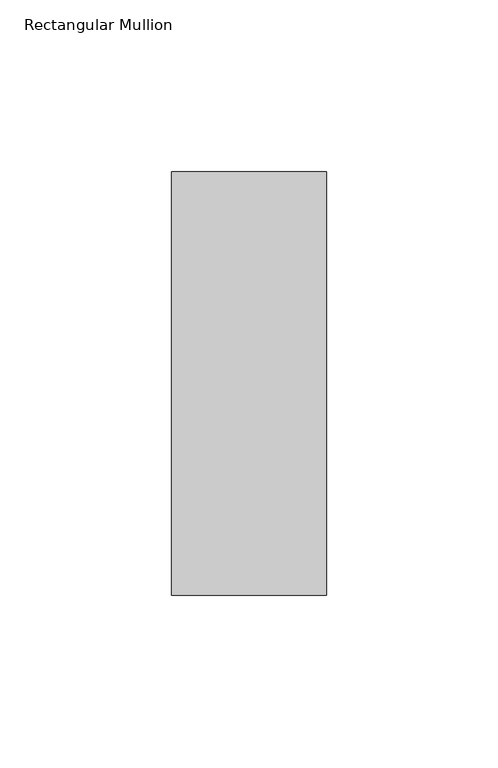
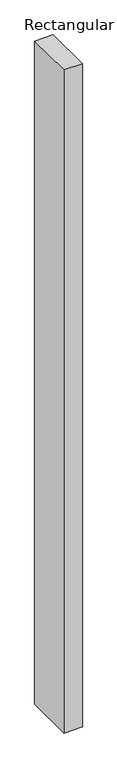
"""IFC4 building model written with IfcOpenShell, lengths in millimetres: member geometry, Rectangular Mullion."""

from ifc_helpers import new_model, si_unit, frame, origin, place, context, project, spatial, polyline, outline, extrude, source, transform, mapped, element, save


def rectangular_mullion_378c99e4(model_context):
    return source(origin(), model_context, "Body", "SweptSolid", [
        extrude(outline(polyline([(22.5, 77.05), (22.5, -46.05), (-22.5, -46.05), (-22.5, 77.05), (22.5, 77.05)])), frame((0.0, 0.0, -1708.8912252), z_axis=(0.0, 0.0, 1.0), x_axis=(1.0, 0.0, 0.0)), (0.0, 0.0, 1.0), 1708.8912252),
    ])


if __name__ == "__main__":
    model = new_model("IFC4")
    model_context = context("Model", 3, world=origin())
    ifc_project = project(units=[si_unit("LENGTHUNIT", "METRE", prefix="MILLI")], contexts=[model_context])
    site = spatial("IfcSite", under=ifc_project)
    building = spatial("IfcBuilding", under=site)
    placement = place(None, origin())
    rectangular_mullion_shape = rectangular_mullion_378c99e4(model_context)
    element("IfcMember", 1, ObjectType="Rectangular Mullion", at=placement, inside=building, context=model_context, shape_type="MappedRepresentation", body=[
        mapped(rectangular_mullion_shape, transform((0.0, 0.0, 0.0), x_axis=(1.0, 0.0, 0.0), y_axis=(0.0, 1.0, 0.0), z_axis=(0.0, 0.0, 1.0))),
    ])
    save(model, "model.ifc")
